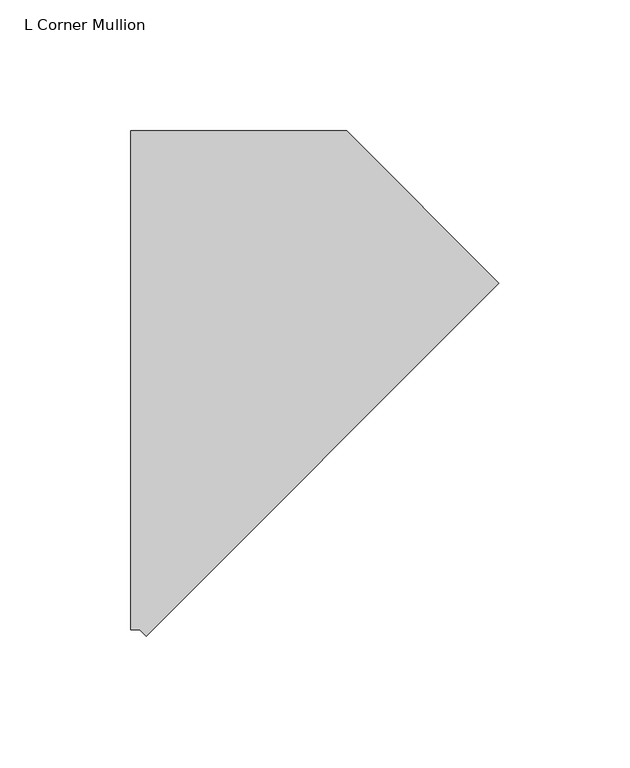
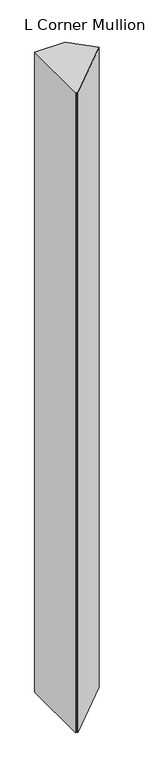
"""IFC4 building model written with IfcOpenShell, lengths in millimetres: member geometry, L Corner Mullion."""

import ifcopenshell
import ifcopenshell.guid

model = None  # the IFC model being written
_history = None  # IfcOwnerHistory: only IFC2X3 demands one
_inside = {}  # id of a spatial element -> (the spatial element, [elements in it])
_under = {}  # id of a project, library or spatial element -> (it, [spatial elements below it])
_declared = {}  # id of a project -> (the project, [libraries it declares])
_typed = {}  # id of a type object -> (the type object, [elements of that type])
_made_of = {}  # id of a material, layer set ... -> (it, [elements and type objects made of it])


def new_model(schema):
    """Start an empty IFC model of exactly this schema.

    Asked for "IFC4X3", IfcOpenShell would pick the latest addendum, in which some entities
    have other attributes; the version numbers below select the first issue.
    IFC2X3 requires an IfcOwnerHistory on every rooted entity: one is made here for all.
    """
    global model, _history
    if schema == "IFC4X3":
        model = ifcopenshell.file(schema_version=(4, 3, 0, 0))
    else:
        model = ifcopenshell.file(schema=schema)
    _inside.clear()
    _under.clear()
    _declared.clear()
    _typed.clear()
    _made_of.clear()
    _history = None
    if model.schema == "IFC2X3":
        org = make("IfcOrganization", Name="unknown")
        user = make(
            "IfcPersonAndOrganization",
            ThePerson=make("IfcPerson", FamilyName="unknown"),
            TheOrganization=org,
        )
        app = make(
            "IfcApplication",
            ApplicationDeveloper=org,
            Version="unknown",
            ApplicationFullName="unknown",
            ApplicationIdentifier="unknown",
        )
        _history = make(
            "IfcOwnerHistory",
            OwningUser=user,
            OwningApplication=app,
            ChangeAction="ADDED",
            CreationDate=0,
        )
    return model


def make(cls, **values):
    """One entity of the class cls with the attributes given. An attribute that is None is left unset."""
    return model.create_entity(
        cls, **{name: value for name, value in values.items() if value is not None}
    )


def rooted(cls, **values):
    """An entity with a GlobalId (a new one), such as an element, a storey or a relation."""
    return make(cls, GlobalId=ifcopenshell.guid.new(), OwnerHistory=_history, **values)


def si_unit(unit_type, name, prefix=None):
    """IfcSIUnit, for example si_unit("LENGTHUNIT", "METRE", prefix="MILLI")."""
    return make("IfcSIUnit", UnitType=unit_type, Prefix=prefix, Name=name)


def assignment(units):
    """IfcUnitAssignment: the units of a project."""
    return None if units is None else make("IfcUnitAssignment", Units=units)


def point(xyz):
    """IfcCartesianPoint."""
    return None if xyz is None else make("IfcCartesianPoint", Coordinates=xyz)


def direction(xyz):
    """IfcDirection."""
    return None if xyz is None else make("IfcDirection", DirectionRatios=xyz)


def frame(location, z_axis=None, x_axis=None):
    """IfcAxis2Placement3D, a coordinate frame: its origin and axes. An axis left out is left unset."""
    return make(
        "IfcAxis2Placement3D",
        Location=point(location),
        Axis=direction(z_axis),
        RefDirection=direction(x_axis),
    )


def origin():
    """The frame at (0, 0, 0) with its axes left unset."""
    return frame((0.0, 0.0, 0.0))


def place(relative_to, where):
    """IfcLocalPlacement: puts the frame where relative to a parent placement (None: the world)."""
    return make(
        "IfcLocalPlacement", PlacementRelTo=relative_to, RelativePlacement=where
    )


def context(
    kind, dimensions, precision=None, world=None, true_north=None, identifier=None
):
    """IfcGeometricRepresentationContext, for example the 3D "Model" context."""
    return make(
        "IfcGeometricRepresentationContext",
        ContextIdentifier=identifier,
        ContextType=kind,
        CoordinateSpaceDimension=dimensions,
        Precision=precision,
        WorldCoordinateSystem=world,
        TrueNorth=true_north,
    )


def project(units=None, contexts=None):
    """IfcProject with its units and contexts."""
    return rooted(
        "IfcProject",
        Name="project",
        RepresentationContexts=contexts,
        UnitsInContext=assignment(units),
    )


def spatial(cls, under=None, at=None, **own):
    """A site, building, storey or space (cls), placed at a placement, below another one or the project."""
    s = rooted(cls, ObjectPlacement=at, **own)
    if under is not None:
        _under.setdefault(under.id(), (under, []))[1].append(s)
    return s


def polyline(points):
    """IfcPolyline through the points."""
    return make("IfcPolyline", Points=[point(p) for p in points])


def outline(outer, holes=None, kind="AREA"):
    """IfcArbitraryClosedProfileDef: a profile drawn as a closed curve; with holes, ...WithVoids."""
    if holes is None:
        return make("IfcArbitraryClosedProfileDef", ProfileType=kind, OuterCurve=outer)
    return make(
        "IfcArbitraryProfileDefWithVoids",
        ProfileType=kind,
        OuterCurve=outer,
        InnerCurves=holes,
    )


def extrude(swept, where, along, depth):
    """IfcExtrudedAreaSolid: the profile swept, set in the frame where, extruded along a direction by depth."""
    return make(
        "IfcExtrudedAreaSolid",
        SweptArea=swept,
        Position=where,
        ExtrudedDirection=direction(along),
        Depth=depth,
    )


def shape(context_of_items, identifier, shape_type, items):
    """IfcShapeRepresentation: the items that make up one representation, for example the "Body"."""
    return make(
        "IfcShapeRepresentation",
        ContextOfItems=context_of_items,
        RepresentationIdentifier=identifier,
        RepresentationType=shape_type,
        Items=items,
    )


def source(mapping_origin, context_of_items, identifier, shape_type, items):
    """IfcRepresentationMap: a shape defined once, which mapped items show again and again."""
    return make(
        "IfcRepresentationMap",
        MappingOrigin=mapping_origin,
        MappedRepresentation=shape(context_of_items, identifier, shape_type, items),
    )


def transform(
    local_origin,
    x_axis=None,
    y_axis=None,
    z_axis=None,
    scale=None,
    scale2=None,
    scale3=None,
    uniform=True,
):
    """IfcCartesianTransformationOperator3D, or its non-uniform kind. x_axis, y_axis, z_axis: its Axis1, 2, 3."""
    if uniform:
        return make(
            "IfcCartesianTransformationOperator3D",
            Axis1=direction(x_axis),
            Axis2=direction(y_axis),
            LocalOrigin=point(local_origin),
            Scale=scale,
            Axis3=direction(z_axis),
        )
    return make(
        "IfcCartesianTransformationOperator3DnonUniform",
        Axis1=direction(x_axis),
        Axis2=direction(y_axis),
        LocalOrigin=point(local_origin),
        Scale=scale,
        Axis3=direction(z_axis),
        Scale2=scale2,
        Scale3=scale3,
    )


def mapped(mapping_source, mapping_target):
    """IfcMappedItem: shows the shape of a source again, moved by a transform."""
    return make(
        "IfcMappedItem", MappingSource=mapping_source, MappingTarget=mapping_target
    )


def made_of(thing, what):
    """Note that an element or type object is made of a material, layer set ...; save() writes the relation."""
    if what is not None:
        _made_of.setdefault(what.id(), (what, []))[1].append(thing)
    return thing


def element(
    cls,
    number,
    at=None,
    inside=None,
    cuts=None,
    type_object=None,
    material=None,
    context=None,
    identifier="Body",
    shape_type=None,
    held_by="IfcProductDefinitionShape",
    body=None,
    shapes=None,
    **own,
):
    """One element of the class cls, such as IfcWall. Its Tag is "e" and its number.

    at: its placement. inside: the storey or other place that contains it. cuts: it is an
    opening in that element (IfcRelVoidsElement). A single representation is given by context,
    identifier, shape_type and body (its items); several are given by shapes. held_by: the class
    of the entity that holds the representations. save() writes the other relations.
    """
    e = rooted(cls, Tag="e%d" % number, ObjectPlacement=at, **own)
    if body is not None:
        shapes = [shape(context, identifier, shape_type, body)]
    if shapes is not None:
        e.Representation = make(held_by, Representations=shapes)
    if inside is not None:
        _inside.setdefault(inside.id(), (inside, []))[1].append(e)
    if cuts is not None:
        rooted(
            "IfcRelVoidsElement", RelatingBuildingElement=cuts, RelatedOpeningElement=e
        )
    if type_object is not None:
        _typed.setdefault(type_object.id(), (type_object, []))[1].append(e)
    return made_of(e, material)


def aggregate(whole, parts):
    """IfcRelAggregates: a whole, such as a stair, and the parts it consists of."""
    return rooted("IfcRelAggregates", RelatingObject=whole, RelatedObjects=parts)


def save(model, path):
    """Write the relations noted so far, then the file.

    IfcRelAggregates (storeys below a building ...), IfcRelContainedInSpatialStructure (elements
    in a storey), IfcRelDefinesByType, IfcRelAssociatesMaterial and IfcRelDeclares: one each for
    every whole, place, type object, material and project.
    """
    for whole, parts in _under.values():
        aggregate(whole, parts)
    for where, things in _inside.values():
        rooted(
            "IfcRelContainedInSpatialStructure",
            RelatedElements=things,
            RelatingStructure=where,
        )
    for kind, things in _typed.values():
        rooted("IfcRelDefinesByType", RelatedObjects=things, RelatingType=kind)
    for what, things in _made_of.values():
        rooted("IfcRelAssociatesMaterial", RelatedObjects=things, RelatingMaterial=what)
    for by, libraries in _declared.values():
        rooted("IfcRelDeclares", RelatingContext=by, RelatedDefinitions=libraries)
    model.write(path)


def l_corner_mullion_7d5ee00b(model_context):
    return source(origin(), model_context, "Body", "SweptSolid", [
        extrude(outline(polyline([(-60.7158616, -154.8102853), (-63.1261469, -152.4), (-66.5348051, -152.4), (-66.5348051, 38.1), (15.7815367, 38.1), (73.9879802, -20.1064435), (-60.7158616, -154.8102853)])), frame((0.0, 0.0, -1828.8), z_axis=(0.0, 0.0, 1.0), x_axis=(1.0, 0.0, 0.0)), (0.0, 0.0, 1.0), 1828.8),
    ])


if __name__ == "__main__":
    model = new_model("IFC4")
    model_context = context("Model", 3, world=origin())
    ifc_project = project(units=[si_unit("LENGTHUNIT", "METRE", prefix="MILLI")], contexts=[model_context])
    site = spatial("IfcSite", under=ifc_project)
    building = spatial("IfcBuilding", under=site)
    placement = place(None, origin())
    l_corner_mullion_shape = l_corner_mullion_7d5ee00b(model_context)
    element("IfcMember", 1, ObjectType="L Corner Mullion", at=placement, inside=building, context=model_context, shape_type="MappedRepresentation", body=[
        mapped(l_corner_mullion_shape, transform((0.0, 0.0, 0.0), x_axis=(1.0, 0.0, 0.0), y_axis=(0.0, 1.0, 0.0), z_axis=(0.0, 0.0, 1.0))),
    ])
    save(model, "model.ifc")
